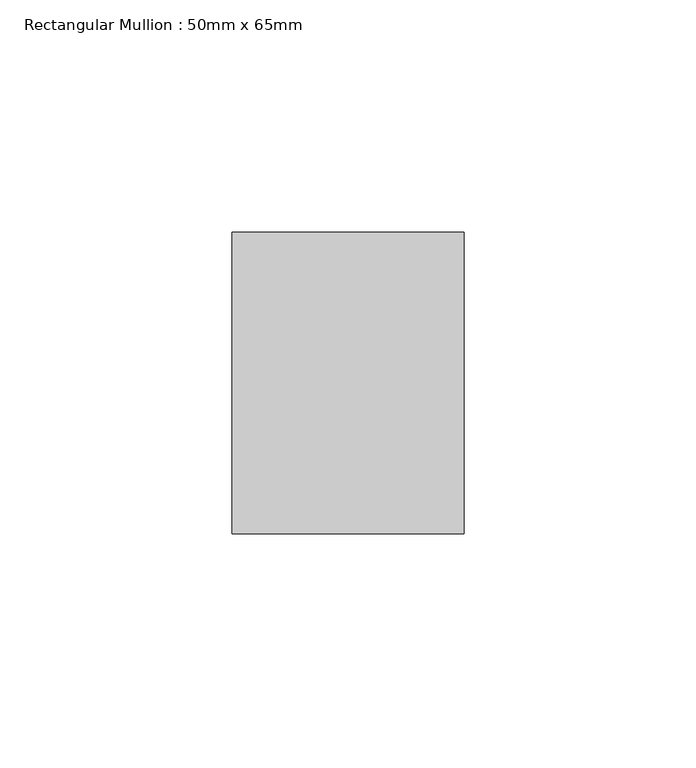
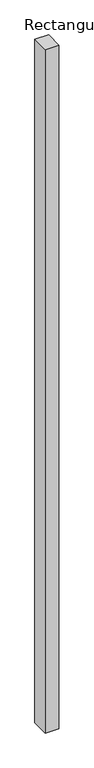
"""IFC4 building model written with IfcOpenShell, lengths in millimetres: member geometry, Rectangular Mullion : 50mm x 65mm."""

from ifc_helpers import new_model, si_unit, frame, origin, place, context, project, spatial, polyline, outline, extrude, source, transform, mapped, element, save


def rectangular_mullion_50mm_x_65mm_25956095(model_context):
    return source(origin(), model_context, "Body", "SweptSolid", [
        extrude(outline(polyline([(25.0, 32.5), (25.0, -32.5), (-25.0, -32.5), (-25.0, 32.5), (25.0, 32.5)])), frame((0.0, 0.0, -2625.0743485), z_axis=(0.0, 0.0, 1.0), x_axis=(1.0, 0.0, 0.0)), (0.0, 0.0, 1.0), 2625.0743485),
    ])


if __name__ == "__main__":
    model = new_model("IFC4")
    model_context = context("Model", 3, world=origin())
    ifc_project = project(units=[si_unit("LENGTHUNIT", "METRE", prefix="MILLI")], contexts=[model_context])
    site = spatial("IfcSite", under=ifc_project)
    building = spatial("IfcBuilding", under=site)
    placement = place(None, origin())
    rectangular_mullion_50mm_x_65mm_shape = rectangular_mullion_50mm_x_65mm_25956095(model_context)
    element("IfcMember", 1, ObjectType="Rectangular Mullion : 50mm x 65mm", at=placement, inside=building, context=model_context, shape_type="MappedRepresentation", body=[
        mapped(rectangular_mullion_50mm_x_65mm_shape, transform((0.0, 0.0, 0.0), x_axis=(1.0, 0.0, 0.0), y_axis=(0.0, 1.0, 0.0), z_axis=(0.0, 0.0, 1.0))),
    ])
    save(model, "model.ifc")
